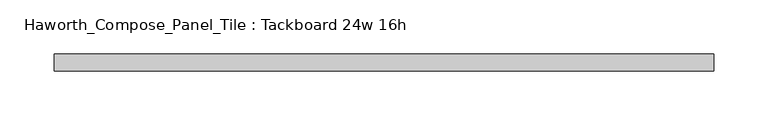
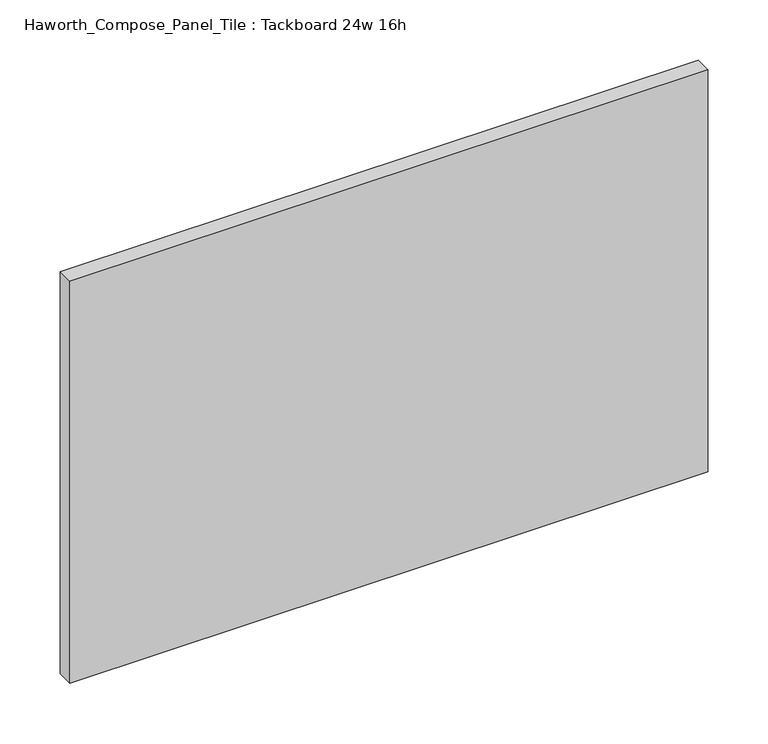
"""IFC4 building model written with IfcOpenShell, lengths in millimetres: furniture geometry, Haworth_Compose_Panel_Tile : Tackboard 24w 16h."""

import ifcopenshell
import ifcopenshell.guid

model = None  # the IFC model being written
_history = None  # IfcOwnerHistory: only IFC2X3 demands one
_inside = {}  # id of a spatial element -> (the spatial element, [elements in it])
_under = {}  # id of a project, library or spatial element -> (it, [spatial elements below it])
_declared = {}  # id of a project -> (the project, [libraries it declares])
_typed = {}  # id of a type object -> (the type object, [elements of that type])
_made_of = {}  # id of a material, layer set ... -> (it, [elements and type objects made of it])


def new_model(schema):
    """Start an empty IFC model of exactly this schema.

    Asked for "IFC4X3", IfcOpenShell would pick the latest addendum, in which some entities
    have other attributes; the version numbers below select the first issue.
    IFC2X3 requires an IfcOwnerHistory on every rooted entity: one is made here for all.
    """
    global model, _history
    if schema == "IFC4X3":
        model = ifcopenshell.file(schema_version=(4, 3, 0, 0))
    else:
        model = ifcopenshell.file(schema=schema)
    _inside.clear()
    _under.clear()
    _declared.clear()
    _typed.clear()
    _made_of.clear()
    _history = None
    if model.schema == "IFC2X3":
        org = make("IfcOrganization", Name="unknown")
        user = make(
            "IfcPersonAndOrganization",
            ThePerson=make("IfcPerson", FamilyName="unknown"),
            TheOrganization=org,
        )
        app = make(
            "IfcApplication",
            ApplicationDeveloper=org,
            Version="unknown",
            ApplicationFullName="unknown",
            ApplicationIdentifier="unknown",
        )
        _history = make(
            "IfcOwnerHistory",
            OwningUser=user,
            OwningApplication=app,
            ChangeAction="ADDED",
            CreationDate=0,
        )
    return model


def make(cls, **values):
    """One entity of the class cls with the attributes given. An attribute that is None is left unset."""
    return model.create_entity(
        cls, **{name: value for name, value in values.items() if value is not None}
    )


def rooted(cls, **values):
    """An entity with a GlobalId (a new one), such as an element, a storey or a relation."""
    return make(cls, GlobalId=ifcopenshell.guid.new(), OwnerHistory=_history, **values)


def si_unit(unit_type, name, prefix=None):
    """IfcSIUnit, for example si_unit("LENGTHUNIT", "METRE", prefix="MILLI")."""
    return make("IfcSIUnit", UnitType=unit_type, Prefix=prefix, Name=name)


def assignment(units):
    """IfcUnitAssignment: the units of a project."""
    return None if units is None else make("IfcUnitAssignment", Units=units)


def point(xyz):
    """IfcCartesianPoint."""
    return None if xyz is None else make("IfcCartesianPoint", Coordinates=xyz)


def direction(xyz):
    """IfcDirection."""
    return None if xyz is None else make("IfcDirection", DirectionRatios=xyz)


def frame(location, z_axis=None, x_axis=None):
    """IfcAxis2Placement3D, a coordinate frame: its origin and axes. An axis left out is left unset."""
    return make(
        "IfcAxis2Placement3D",
        Location=point(location),
        Axis=direction(z_axis),
        RefDirection=direction(x_axis),
    )


def origin():
    """The frame at (0, 0, 0) with its axes left unset."""
    return frame((0.0, 0.0, 0.0))


def place(relative_to, where):
    """IfcLocalPlacement: puts the frame where relative to a parent placement (None: the world)."""
    return make(
        "IfcLocalPlacement", PlacementRelTo=relative_to, RelativePlacement=where
    )


def context(
    kind, dimensions, precision=None, world=None, true_north=None, identifier=None
):
    """IfcGeometricRepresentationContext, for example the 3D "Model" context."""
    return make(
        "IfcGeometricRepresentationContext",
        ContextIdentifier=identifier,
        ContextType=kind,
        CoordinateSpaceDimension=dimensions,
        Precision=precision,
        WorldCoordinateSystem=world,
        TrueNorth=true_north,
    )


def project(units=None, contexts=None):
    """IfcProject with its units and contexts."""
    return rooted(
        "IfcProject",
        Name="project",
        RepresentationContexts=contexts,
        UnitsInContext=assignment(units),
    )


def spatial(cls, under=None, at=None, **own):
    """A site, building, storey or space (cls), placed at a placement, below another one or the project."""
    s = rooted(cls, ObjectPlacement=at, **own)
    if under is not None:
        _under.setdefault(under.id(), (under, []))[1].append(s)
    return s


def polyline(points):
    """IfcPolyline through the points."""
    return make("IfcPolyline", Points=[point(p) for p in points])


def outline(outer, holes=None, kind="AREA"):
    """IfcArbitraryClosedProfileDef: a profile drawn as a closed curve; with holes, ...WithVoids."""
    if holes is None:
        return make("IfcArbitraryClosedProfileDef", ProfileType=kind, OuterCurve=outer)
    return make(
        "IfcArbitraryProfileDefWithVoids",
        ProfileType=kind,
        OuterCurve=outer,
        InnerCurves=holes,
    )


def extrude(swept, where, along, depth):
    """IfcExtrudedAreaSolid: the profile swept, set in the frame where, extruded along a direction by depth."""
    return make(
        "IfcExtrudedAreaSolid",
        SweptArea=swept,
        Position=where,
        ExtrudedDirection=direction(along),
        Depth=depth,
    )


def shape(context_of_items, identifier, shape_type, items):
    """IfcShapeRepresentation: the items that make up one representation, for example the "Body"."""
    return make(
        "IfcShapeRepresentation",
        ContextOfItems=context_of_items,
        RepresentationIdentifier=identifier,
        RepresentationType=shape_type,
        Items=items,
    )


def source(mapping_origin, context_of_items, identifier, shape_type, items):
    """IfcRepresentationMap: a shape defined once, which mapped items show again and again."""
    return make(
        "IfcRepresentationMap",
        MappingOrigin=mapping_origin,
        MappedRepresentation=shape(context_of_items, identifier, shape_type, items),
    )


def transform(
    local_origin,
    x_axis=None,
    y_axis=None,
    z_axis=None,
    scale=None,
    scale2=None,
    scale3=None,
    uniform=True,
):
    """IfcCartesianTransformationOperator3D, or its non-uniform kind. x_axis, y_axis, z_axis: its Axis1, 2, 3."""
    if uniform:
        return make(
            "IfcCartesianTransformationOperator3D",
            Axis1=direction(x_axis),
            Axis2=direction(y_axis),
            LocalOrigin=point(local_origin),
            Scale=scale,
            Axis3=direction(z_axis),
        )
    return make(
        "IfcCartesianTransformationOperator3DnonUniform",
        Axis1=direction(x_axis),
        Axis2=direction(y_axis),
        LocalOrigin=point(local_origin),
        Scale=scale,
        Axis3=direction(z_axis),
        Scale2=scale2,
        Scale3=scale3,
    )


def mapped(mapping_source, mapping_target):
    """IfcMappedItem: shows the shape of a source again, moved by a transform."""
    return make(
        "IfcMappedItem", MappingSource=mapping_source, MappingTarget=mapping_target
    )


def made_of(thing, what):
    """Note that an element or type object is made of a material, layer set ...; save() writes the relation."""
    if what is not None:
        _made_of.setdefault(what.id(), (what, []))[1].append(thing)
    return thing


def element(
    cls,
    number,
    at=None,
    inside=None,
    cuts=None,
    type_object=None,
    material=None,
    context=None,
    identifier="Body",
    shape_type=None,
    held_by="IfcProductDefinitionShape",
    body=None,
    shapes=None,
    **own,
):
    """One element of the class cls, such as IfcWall. Its Tag is "e" and its number.

    at: its placement. inside: the storey or other place that contains it. cuts: it is an
    opening in that element (IfcRelVoidsElement). A single representation is given by context,
    identifier, shape_type and body (its items); several are given by shapes. held_by: the class
    of the entity that holds the representations. save() writes the other relations.
    """
    e = rooted(cls, Tag="e%d" % number, ObjectPlacement=at, **own)
    if body is not None:
        shapes = [shape(context, identifier, shape_type, body)]
    if shapes is not None:
        e.Representation = make(held_by, Representations=shapes)
    if inside is not None:
        _inside.setdefault(inside.id(), (inside, []))[1].append(e)
    if cuts is not None:
        rooted(
            "IfcRelVoidsElement", RelatingBuildingElement=cuts, RelatedOpeningElement=e
        )
    if type_object is not None:
        _typed.setdefault(type_object.id(), (type_object, []))[1].append(e)
    return made_of(e, material)


def aggregate(whole, parts):
    """IfcRelAggregates: a whole, such as a stair, and the parts it consists of."""
    return rooted("IfcRelAggregates", RelatingObject=whole, RelatedObjects=parts)


def save(model, path):
    """Write the relations noted so far, then the file.

    IfcRelAggregates (storeys below a building ...), IfcRelContainedInSpatialStructure (elements
    in a storey), IfcRelDefinesByType, IfcRelAssociatesMaterial and IfcRelDeclares: one each for
    every whole, place, type object, material and project.
    """
    for whole, parts in _under.values():
        aggregate(whole, parts)
    for where, things in _inside.values():
        rooted(
            "IfcRelContainedInSpatialStructure",
            RelatedElements=things,
            RelatingStructure=where,
        )
    for kind, things in _typed.values():
        rooted("IfcRelDefinesByType", RelatedObjects=things, RelatingType=kind)
    for what, things in _made_of.values():
        rooted("IfcRelAssociatesMaterial", RelatedObjects=things, RelatingMaterial=what)
    for by, libraries in _declared.values():
        rooted("IfcRelDeclares", RelatingContext=by, RelatedDefinitions=libraries)
    model.write(path)


def haworth_compose_panel_tile_tackboard_24w_16h_1e08eda6(model_context):
    return source(origin(), model_context, "Body", "SweptSolid", [
        extrude(outline(polyline([(307.2402902, -28.8968594), (-302.3597098, -28.8968594), (-302.3597098, -13.0218594), (307.2402902, -13.0218594), (307.2402902, -28.8968594)])), frame((0.0, 0.0, 1066.8), z_axis=(0.0, 0.0, 1.0), x_axis=(1.0, 0.0, 0.0)), (0.0, 0.0, 1.0), 406.4),
    ])


if __name__ == "__main__":
    model = new_model("IFC4")
    model_context = context("Model", 3, world=origin())
    ifc_project = project(units=[si_unit("LENGTHUNIT", "METRE", prefix="MILLI")], contexts=[model_context])
    site = spatial("IfcSite", under=ifc_project)
    building = spatial("IfcBuilding", under=site)
    placement = place(None, origin())
    haworth_compose_panel_tile_tackboard_24w_16h_shape = haworth_compose_panel_tile_tackboard_24w_16h_1e08eda6(model_context)
    element("IfcFurniture", 1, ObjectType="Haworth_Compose_Panel_Tile : Tackboard 24w 16h", at=placement, inside=building, context=model_context, shape_type="MappedRepresentation", body=[
        mapped(haworth_compose_panel_tile_tackboard_24w_16h_shape, transform((0.0, 0.0, 0.0), x_axis=(1.0, 0.0, 0.0), y_axis=(0.0, 1.0, 0.0), z_axis=(0.0, 0.0, 1.0))),
    ])
    save(model, "model.ifc")
